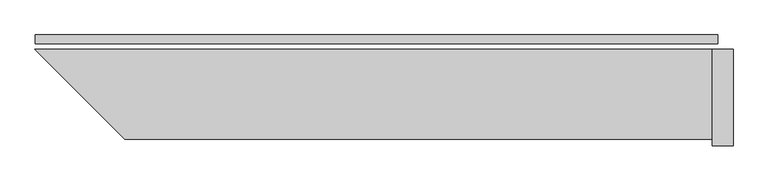
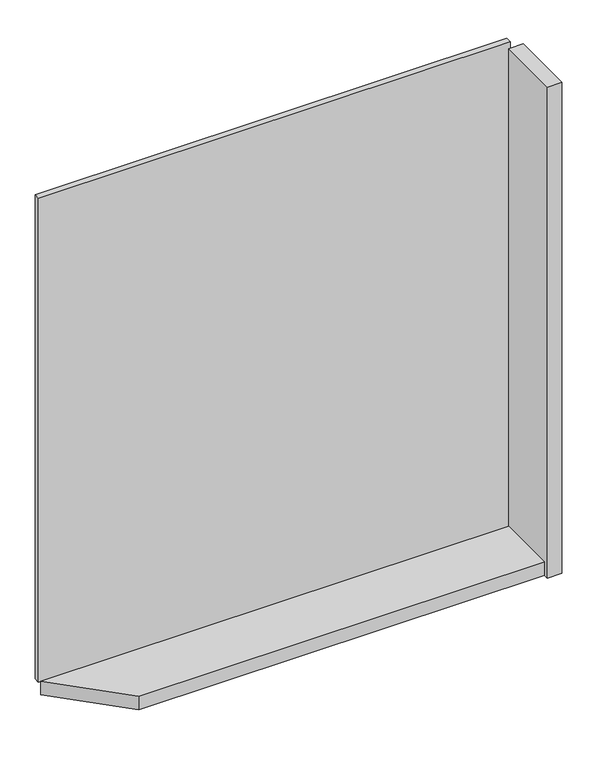
"""IFC4 building model written with IfcOpenShell, lengths in millimetres: plate geometry."""

from ifc_helpers import new_model, si_unit, frame, origin, origin_with_axes, place, context, project, spatial, polyline, outline, extrude, source, transform, mapped, element, save


def plate_d21bd76e(model_context):
    return source(origin(), model_context, "Body", "SweptSolid", [
        extrude(outline(polyline([(986.5, 0.0), (986.5, -25.0), (-986.5, -25.0), (-986.5, 0.0), (986.5, 0.0)])), origin_with_axes(), (0.0, 0.0, 1.0), 2142.0),
        extrude(outline(polyline([(971.5, -301.0), (-727.0735931, -301.0), (-987.0735931, -41.0), (971.5, -41.0), (971.5, -301.0)])), frame((0.0, 0.0, -45.0), z_axis=(0.0, 0.0, 1.0), x_axis=(1.0, 0.0, 0.0)), (0.0, 0.0, 1.0), 60.0),
        extrude(outline(polyline([(1031.5, -41.0), (1031.5, -321.0), (971.5, -321.0), (971.5, -41.0), (1031.5, -41.0)])), frame((0.0, 0.0, -45.0), z_axis=(0.0, 0.0, 1.0), x_axis=(1.0, 0.0, 0.0)), (0.0, 0.0, 1.0), 2172.0),
    ])


if __name__ == "__main__":
    model = new_model("IFC4")
    model_context = context("Model", 3, world=origin())
    ifc_project = project(units=[si_unit("LENGTHUNIT", "METRE", prefix="MILLI")], contexts=[model_context])
    site = spatial("IfcSite", under=ifc_project)
    building = spatial("IfcBuilding", under=site)
    placement = place(None, origin())
    plate_shape = plate_d21bd76e(model_context)
    element("IfcPlate", 1, at=placement, inside=building, context=model_context, shape_type="MappedRepresentation", body=[
        mapped(plate_shape, transform((0.0, 0.0, 0.0), x_axis=(1.0, 0.0, 0.0), y_axis=(0.0, 1.0, 0.0), z_axis=(0.0, 0.0, 1.0))),
    ])
    save(model, "model.ifc")
